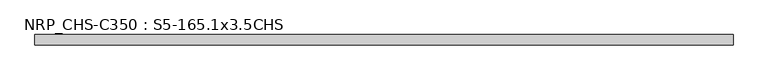
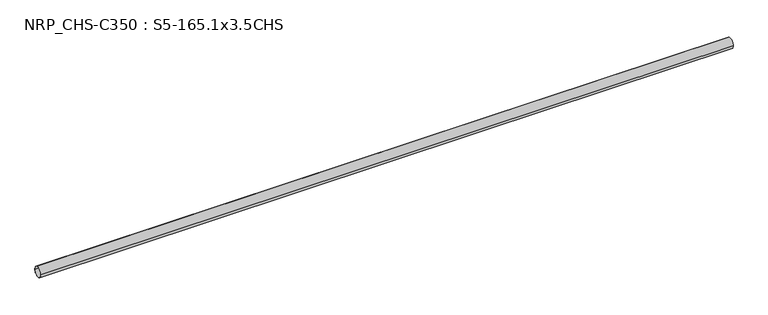
"""IFC4 building model written with IfcOpenShell, lengths in millimetres: beam geometry, NRP_CHS-C350 : S5-165.1x3.5CHS."""

from ifc_helpers import new_model, si_unit, point, frame, origin, origin_2d, place, context, project, spatial, circle_curve, trimmed, segment, composite_curve, outline, extrude, source, transform, mapped, element, save


def nrp_chs_c350_s5_165_1x3_5chs_5d955f7a(model_context):
    return source(origin(), model_context, "Body", "SweptSolid", [
        extrude(outline(composite_curve([segment(trimmed(circle_curve(origin_2d(), 82.55), [point((82.55, 0.0))], [point((-82.55, 0.0))], False, "CARTESIAN"), True, "CONTINUOUS"), segment(trimmed(circle_curve(origin_2d(), 82.55), [point((-82.55, 0.0))], [point((82.55, 0.0))], False, "CARTESIAN"), True, "CONTINUOUS")], self_intersect=False), holes=[composite_curve([segment(trimmed(circle_curve(origin_2d(), 79.05), [point((-79.05, 0.0))], [point((79.05, 0.0))], True, "CARTESIAN"), True, "CONTINUOUS"), segment(trimmed(circle_curve(origin_2d(), 79.05), [point((79.05, 0.0))], [point((-79.05, 0.0))], True, "CARTESIAN"), True, "CONTINUOUS")], self_intersect=False)]), frame((-5512.3, 0.0, 0.0), z_axis=(1.0, 0.0, 0.0), x_axis=(0.0, 1.0, 0.0)), (0.0, 0.0, 1.0), 11024.6),
    ])


if __name__ == "__main__":
    model = new_model("IFC4")
    model_context = context("Model", 3, world=origin())
    ifc_project = project(units=[si_unit("LENGTHUNIT", "METRE", prefix="MILLI")], contexts=[model_context])
    site = spatial("IfcSite", under=ifc_project)
    building = spatial("IfcBuilding", under=site)
    placement = place(None, origin())
    nrp_chs_c350_s5_165_1x3_5chs_shape = nrp_chs_c350_s5_165_1x3_5chs_5d955f7a(model_context)
    element("IfcBeam", 1, ObjectType="NRP_CHS-C350 : S5-165.1x3.5CHS", at=placement, inside=building, context=model_context, shape_type="MappedRepresentation", body=[
        mapped(nrp_chs_c350_s5_165_1x3_5chs_shape, transform((0.0, 0.0, 0.0), x_axis=(1.0, 0.0, 0.0), y_axis=(0.0, 1.0, 0.0), z_axis=(0.0, 0.0, 1.0))),
    ])
    save(model, "model.ifc")
